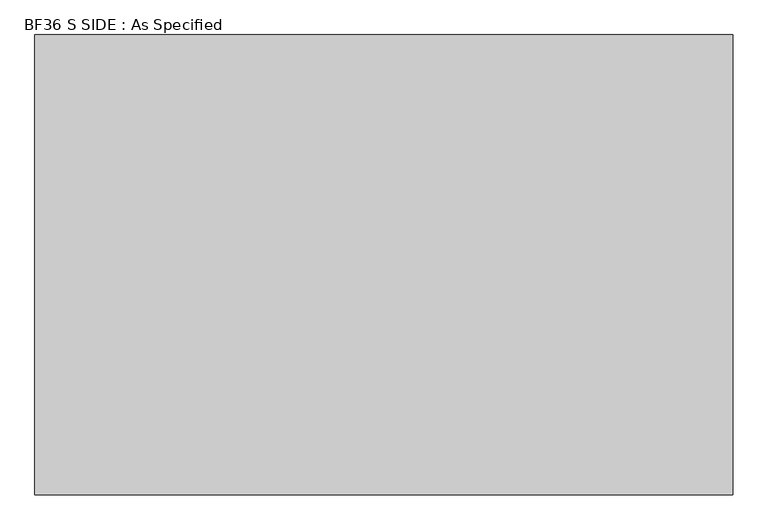
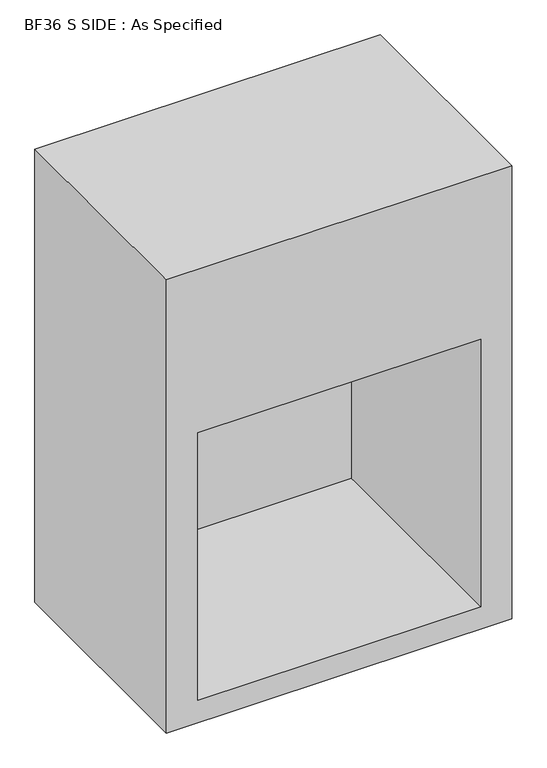
"""IFC4 building model written with IfcOpenShell, lengths in millimetres: proxy geometry, BF36 S SIDE : As Specified."""

from ifc_helpers import new_model, si_unit, origin, place, context, project, spatial, faceted_brep, source, transform, mapped, element, save


def bf36_s_side_as_specified_afd4bc5a(model_context):
    return source(origin(), model_context, "Body", "Brep", [
        faceted_brep([(558.8, 368.3, 1549.4), (-558.8, 368.3, 1549.4), (-558.8, -368.3, 1549.4), (558.8, -368.3, 1549.4), (558.8, 368.3, 0.0), (558.8, -368.3, 0.0), (-558.8, -368.3, 0.0), (-558.8, 368.3, 0.0), (-457.2, -368.3, 990.6), (457.2, -368.3, 990.6), (457.2, -368.3, 76.2), (-457.2, -368.3, 76.2), (457.2, 355.6, 990.6), (-457.2, 355.6, 990.6), (-457.2, 355.6, 76.2), (457.2, 355.6, 76.2)], [[[0, 1, 2, 3]], [[4, 5, 6, 7]], [[1, 0, 4, 7]], [[2, 1, 7, 6]], [[3, 2, 6, 5], [8, 9, 10, 11]], [[0, 3, 5, 4]], [[12, 13, 14, 15]], [[13, 12, 9, 8]], [[14, 13, 8, 11]], [[15, 14, 11, 10]], [[12, 15, 10, 9]]]),
    ])


if __name__ == "__main__":
    model = new_model("IFC4")
    model_context = context("Model", 3, world=origin())
    ifc_project = project(units=[si_unit("LENGTHUNIT", "METRE", prefix="MILLI")], contexts=[model_context])
    site = spatial("IfcSite", under=ifc_project)
    building = spatial("IfcBuilding", under=site)
    placement = place(None, origin())
    bf36_s_side_as_specified_shape = bf36_s_side_as_specified_afd4bc5a(model_context)
    element("IfcBuildingElementProxy", 1, Name="BF36 S SIDE : As Specified", ObjectType="BF36 S SIDE : As Specified", at=placement, inside=building, context=model_context, shape_type="MappedRepresentation", body=[
        mapped(bf36_s_side_as_specified_shape, transform((0.0, 0.0, 0.0), x_axis=(1.0, 0.0, 0.0), y_axis=(0.0, 1.0, 0.0), z_axis=(0.0, 0.0, 1.0))),
    ])
    save(model, "model.ifc")
